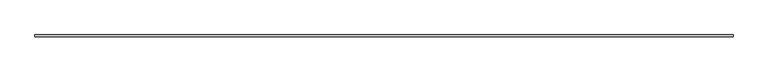
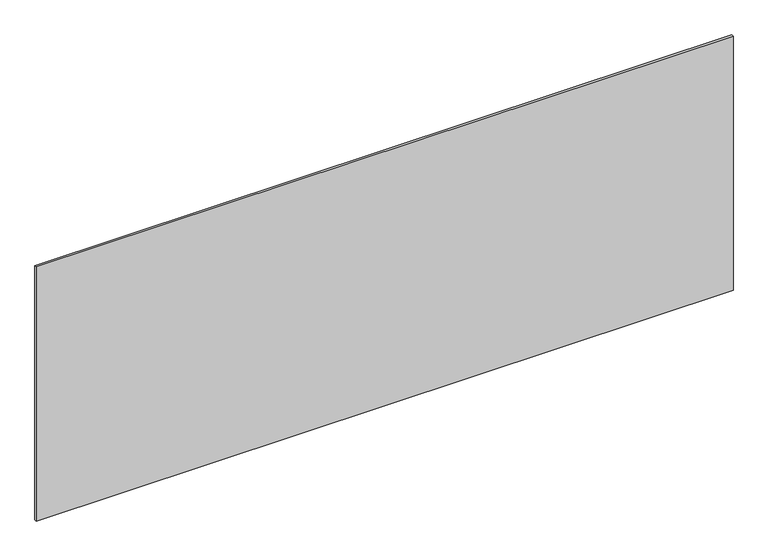
"""IFC4 building model written with IfcOpenShell, lengths in millimetres: plate geometry."""

from ifc_helpers import new_model, si_unit, origin, origin_with_axes, place, context, project, spatial, polyline, outline, extrude, source, transform, mapped, element, save


def plate_9692e4fa(model_context):
    return source(origin(), model_context, "Body", "SweptSolid", [
        extrude(outline(polyline([(1697.5, -5.0), (-1697.5, -5.0), (-1697.5, 5.0), (1697.5, 5.0), (1697.5, -5.0)])), origin_with_axes(), (0.0, 0.0, 1.0), 1308.5896702),
    ])


if __name__ == "__main__":
    model = new_model("IFC4")
    model_context = context("Model", 3, world=origin())
    ifc_project = project(units=[si_unit("LENGTHUNIT", "METRE", prefix="MILLI")], contexts=[model_context])
    site = spatial("IfcSite", under=ifc_project)
    building = spatial("IfcBuilding", under=site)
    placement = place(None, origin())
    plate_shape = plate_9692e4fa(model_context)
    element("IfcPlate", 1, at=placement, inside=building, context=model_context, shape_type="MappedRepresentation", body=[
        mapped(plate_shape, transform((0.0, 0.0, 0.0), x_axis=(1.0, 0.0, 0.0), y_axis=(0.0, 1.0, 0.0), z_axis=(0.0, 0.0, 1.0))),
    ])
    save(model, "model.ifc")
